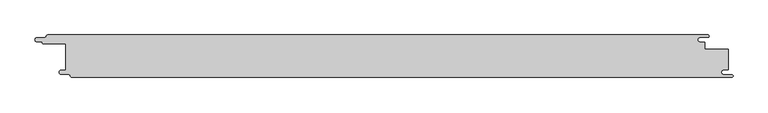
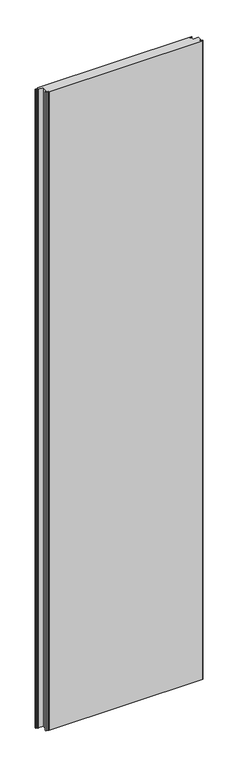
"""IFC4 building model written with IfcOpenShell, lengths in millimetres: proxy geometry."""

from ifc_helpers import new_model, si_unit, point, frame_2d, origin, origin_with_axes, place, context, project, spatial, polyline, circle_curve, trimmed, segment, composite_curve, outline, extrude, source, transform, mapped, element, save


def generic_models_9e844eb6(model_context):
    return source(origin(), model_context, "Body", "SweptSolid", [
        extrude(outline(composite_curve([segment(polyline([(-565.5, -23.4816509), (-557.5, -23.4816509), (-557.5, 20.03), (-594.9169737, 20.03)]), True, "CONTINUOUS"), segment(trimmed(circle_curve(frame_2d((-594.4430286, 22.2219283)), 2.2425819), [point((-594.9169737, 20.03))], [point((-596.6803567, 22.3753446))], False, "CARTESIAN"), True, "CONTINUOUS"), segment(trimmed(circle_curve(frame_2d((-597.7350122, 22.3753446)), 1.0546554), [point((-596.6803567, 22.3753446))], [point((-597.7350122, 23.43))], True, "CARTESIAN"), True, "CONTINUOUS"), segment(polyline([(-597.7350122, 23.43), (-605.5, 23.43)]), True, "CONTINUOUS"), segment(trimmed(circle_curve(frame_2d((-605.5, 26.965)), 3.535), [point((-605.5, 23.43))], [point((-605.5, 30.5))], False, "CARTESIAN"), True, "CONTINUOUS"), segment(polyline([(-605.5, 30.5), (-593.0, 30.5)]), True, "CONTINUOUS"), segment(trimmed(circle_curve(frame_2d((-593.0, 33.43)), 2.93), [point((-593.0, 30.5))], [point((-590.07, 33.43))], True, "CARTESIAN"), True, "CONTINUOUS"), segment(trimmed(circle_curve(frame_2d((-587.4645959, 32.0573077)), 2.9448964), [point((-590.07, 33.43))], [point((-587.5785115, 35.0))], False, "CARTESIAN"), True, "CONTINUOUS"), segment(polyline([(-587.5785115, 35.0), (507.417592, 35.0)]), True, "CONTINUOUS"), segment(trimmed(circle_curve(frame_2d((507.417592, 32.965)), 2.035), [point((507.417592, 35.0))], [point((507.417592, 30.93))], False, "CARTESIAN"), True, "CONTINUOUS"), segment(polyline([(507.417592, 30.93), (494.5, 30.93)]), True, "CONTINUOUS"), segment(trimmed(circle_curve(frame_2d((494.5, 27.0)), 3.93), [point((494.5, 30.93))], [point((494.5, 23.07))], True, "CARTESIAN"), True, "CONTINUOUS"), segment(polyline([(494.5, 23.07), (502.5, 23.07), (502.5, 11.0), (541.5, 11.0), (541.5, -22.4816509), (534.5, -22.4816509)]), True, "CONTINUOUS"), segment(trimmed(circle_curve(frame_2d((534.5, -26.9816509)), 4.5), [point((534.5, -22.4816509))], [point((534.5, -31.4816509))], True, "CARTESIAN"), True, "CONTINUOUS"), segment(polyline([(534.5, -31.4816509), (547.5802646, -31.4816509)]), True, "CONTINUOUS"), segment(trimmed(circle_curve(frame_2d((547.5802646, -33.2408255)), 1.7591745), [point((547.5802646, -31.4816509))], [point((547.5802646, -35.0))], False, "CARTESIAN"), True, "CONTINUOUS"), segment(polyline([(547.5802646, -35.0), (-547.9710411, -35.0)]), True, "CONTINUOUS"), segment(trimmed(circle_curve(frame_2d((-547.9710411, -32.8890983)), 2.1109017), [point((-547.9710411, -35.0))], [point((-549.9970408, -33.4817459))], False, "CARTESIAN"), True, "CONTINUOUS"), segment(trimmed(circle_curve(frame_2d((-552.9983877, -33.4817459)), 3.0013468), [point((-549.9970408, -33.4817459))], [point((-552.9983877, -30.480399))], True, "CARTESIAN"), True, "CONTINUOUS"), segment(polyline([(-552.9983877, -30.480399), (-565.5, -30.480399)]), True, "CONTINUOUS"), segment(trimmed(circle_curve(frame_2d((-565.5, -26.981025)), 3.4993741), [point((-565.5, -30.480399))], [point((-565.5, -23.4816509))], False, "CARTESIAN"), True, "CONTINUOUS")], self_intersect=False)), origin_with_axes(), (0.0, 0.0, 1.0), 4800.0),
    ])


if __name__ == "__main__":
    model = new_model("IFC4")
    model_context = context("Model", 3, world=origin())
    ifc_project = project(units=[si_unit("LENGTHUNIT", "METRE", prefix="MILLI")], contexts=[model_context])
    site = spatial("IfcSite", under=ifc_project)
    building = spatial("IfcBuilding", under=site)
    placement = place(None, origin())
    generic_models_shape = generic_models_9e844eb6(model_context)
    element("IfcBuildingElementProxy", 1, Name="Generic Models", at=placement, inside=building, context=model_context, shape_type="MappedRepresentation", body=[
        mapped(generic_models_shape, transform((0.0, 0.0, 0.0), x_axis=(1.0, 0.0, 0.0), y_axis=(0.0, 1.0, 0.0), z_axis=(0.0, 0.0, 1.0))),
    ])
    save(model, "model.ifc")
